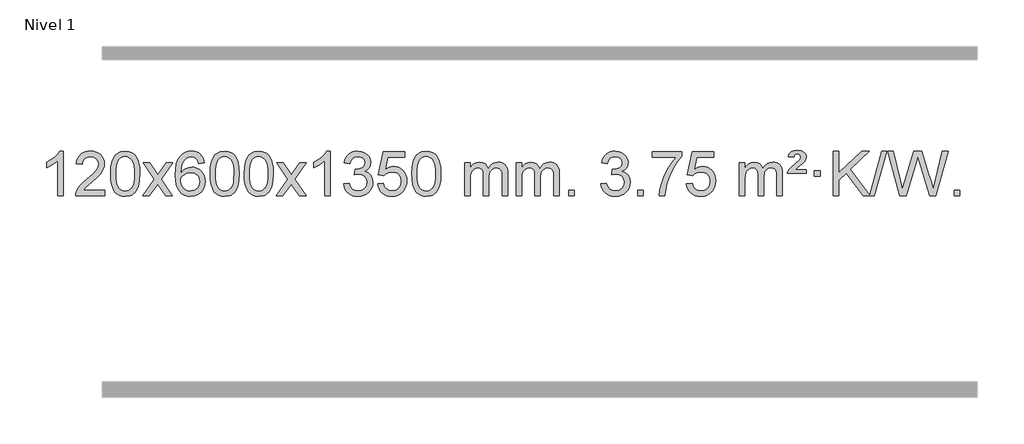
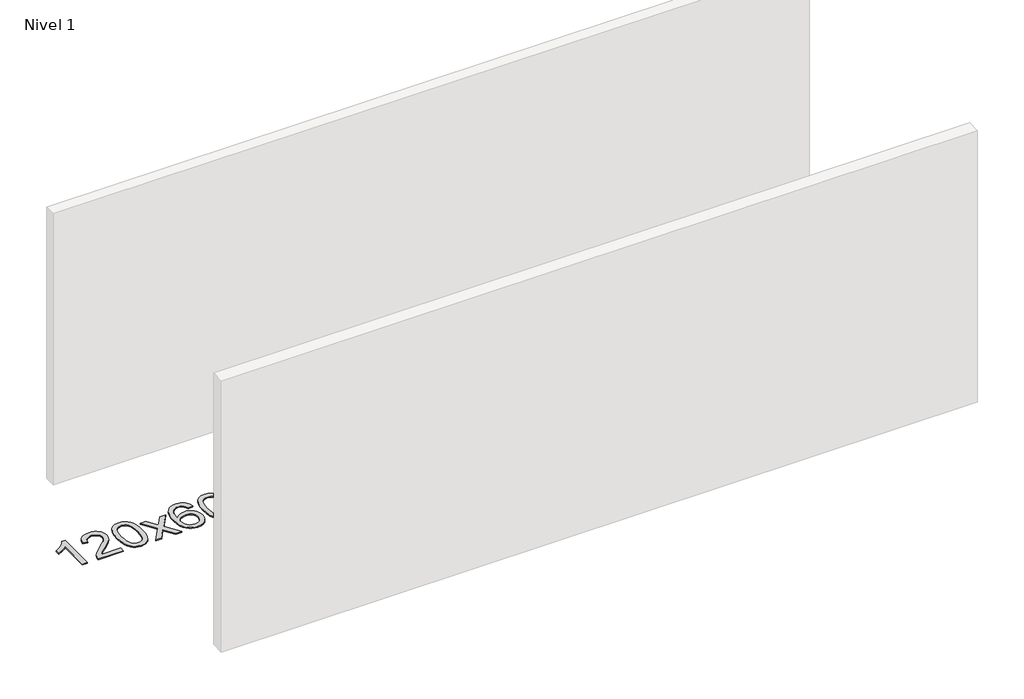
# One storey, part 3 of 18: 1 proxy.
"""IFC4 building model written with IfcOpenShell, lengths in millimetres."""

from ifc_helpers import new_model, si_unit, origin, origin_with_axes, place, context, project, spatial, polyline, outline, extrude, element, save

model = new_model("IFC4")

# Units and contexts
model_context = context("Model", 3, world=origin())
ifc_project = project(units=[si_unit("LENGTHUNIT", "METRE", prefix="MILLI")], contexts=[model_context])

# Site, building, storey
site = spatial("IfcSite", under=ifc_project)
building = spatial("IfcBuilding", under=site)
storey = spatial("IfcBuildingStorey", under=building, Name="Nivel 1", Elevation=0.0)

# Proxy
placement = place(None, origin())
element("IfcBuildingElementProxy", 1, Name="Texto de modelo 1", ObjectType="Texto de modelo 1", at=placement, inside=storey, context=model_context, shape_type="SweptSolid", body=[
    extrude(outline(polyline([(-13229.2853037, -18400.579453), (-13279.5134588, -18400.579453), (-13279.5134588, -18087.4382987), (-13300.4827325, -18104.3976587), (-13327.0928635, -18121.3324932), (-13379.9697689, -18146.6918254), (-13379.9697689, -18099.2105225), (-13340.5205563, -18077.7507395), (-13306.3443189, -18052.219729), (-13279.4030942, -18025.0700378), (-13261.6589193, -17998.7542124), (-13229.2853037, -17998.7542124), (-13229.2853037, -18400.579453)])), origin_with_axes(), (0.0, 0.0, 1.0), 10.0),
    extrude(outline(polyline([(-12852.5741406, -18350.3512979), (-12852.5741406, -18400.579453), (-13116.2719548, -18400.579453), (-13115.1683088, -18382.8965918), (-13110.8763522, -18365.9494945), (-13098.4909917, -18338.8856424), (-13080.366672, -18312.6311307), (-13054.1489485, -18285.1503456), (-13017.4833763, -18254.4076736), (-12963.2820957, -18206.2641831), (-12930.7613273, -18170.7267824), (-12914.5009431, -18141.884834), (-12909.0808151, -18113.8277005), (-12914.1943748, -18088.6768347), (-12929.535054, -18067.7688747), (-12953.1162899, -18053.6789943), (-12982.9515197, -18048.9823675), (-13014.282803, -18053.5686297), (-13038.6243283, -18067.3274163), (-13054.3328895, -18089.1796068), (-13059.7652803, -18118.0460807), (-13109.9934354, -18111.7675613), (-13105.6738876, -18085.838012), (-13097.8165413, -18063.1826125), (-13086.4213965, -18043.8013627), (-13071.4884532, -18027.6942627), (-13053.3610679, -18015.0329907), (-13032.3825971, -18005.989225), (-13008.5530409, -18000.5629655), (-12981.8723992, -17998.7542124), (-12954.9526342, -18000.7653006), (-12930.9943193, -18006.7985654), (-12909.9974544, -18016.8540066), (-12891.9620396, -18030.9316242), (-12877.476686, -18047.9890861), (-12867.1300049, -18066.9840598), (-12860.9219962, -18087.9165453), (-12858.85266, -18110.7865427), (-12861.0844774, -18134.8092369), (-12867.7799298, -18158.4149983), (-12879.6625182, -18182.4254299), (-12897.455744, -18207.6621347), (-12925.8194459, -18237.7916701), (-12969.4134623, -18276.4805933), (-13027.195461, -18324.795762), (-13049.8569919, -18350.3512979), (-12852.5741406, -18350.3512979)])), origin_with_axes(), (0.0, 0.0, 1.0), 10.0),
    extrude(outline(polyline([(-12802.3459855, -18202.9041943), (-12798.6549029, -18138.5861588), (-12787.5816548, -18087.2911459), (-12769.236606, -18048.2343407), (-12757.378543, -18033.0009605), (-12743.730121, -18020.6309284), (-12728.2453547, -18011.0598651), (-12710.8782588, -18004.2233914), (-12670.4970785, -17998.7542124), (-12639.5459399, -18001.991574), (-12611.832163, -18011.7036586), (-12588.6555973, -18027.5103217), (-12571.3160926, -18049.0314184), (-12558.2194935, -18076.0830078), (-12547.7716449, -18108.4811488), (-12540.9290398, -18149.6226186), (-12538.6481714, -18202.9041943), (-12542.3024659, -18266.8543477), (-12553.2653493, -18318.0267333), (-12571.5000336, -18357.1203266), (-12583.3305054, -18372.3996922), (-12596.9697304, -18384.8341036), (-12612.4728908, -18394.4695462), (-12629.8951689, -18401.3520052), (-12670.4970785, -18406.8579724), (-12698.1618045, -18404.4667394), (-12722.6872709, -18397.2930405), (-12744.0734775, -18385.3368757), (-12762.3204245, -18368.5982449), (-12779.8316074, -18338.3399508), (-12792.3395953, -18300.6381776), (-12799.844388, -18255.4929255), (-12802.3459855, -18202.9041943)]), holes=[polyline([(-12752.1178305, -18202.8060924), (-12750.6463025, -18246.4706195), (-12746.2317185, -18281.8148822), (-12738.8740786, -18308.8388804), (-12728.5733828, -18327.5426142), (-12716.1144459, -18340.2682656), (-12702.2820829, -18349.3580165), (-12687.0762937, -18354.8118671), (-12670.4970785, -18356.6298173), (-12653.9178632, -18354.8057357), (-12638.7120741, -18349.3334911), (-12624.8797111, -18340.2130833), (-12612.4207742, -18327.4445124), (-12602.1200783, -18308.7101217), (-12594.7624384, -18281.6922549), (-12590.3478545, -18246.3909118), (-12588.8763265, -18202.8060924), (-12590.2988035, -18160.2973278), (-12594.5662347, -18125.5753989), (-12601.6786199, -18098.6403055), (-12611.6359592, -18079.4920476), (-12623.8864297, -18066.1440625), (-12637.8782082, -18056.6097875), (-12653.6112949, -18050.8892225), (-12671.0856897, -18048.9823675), (-12687.5790658, -18050.6623619), (-12702.5273375, -18055.7023452), (-12715.9305049, -18064.1023175), (-12727.7885679, -18075.8622786), (-12738.4326203, -18096.708925), (-12746.0355148, -18124.8151094), (-12750.5972516, -18160.1808319), (-12752.1178305, -18202.8060924)])]), origin_with_axes(), (0.0, 0.0, 1.0), 10.0),
    extrude(outline(polyline([(-12513.5340939, -18400.579453), (-12406.2106531, -18252.2494325), (-12507.2555745, -18105.4890419), (-12446.8248254, -18105.4890419), (-12398.0681983, -18176.122385), (-12375.3085655, -18209.4770192), (-12355.5900906, -18182.2047007), (-12300.0644348, -18105.4890419), (-12239.6336857, -18105.4890419), (-12345.7799041, -18252.2494325), (-12243.5577603, -18400.579453), (-12303.9885094, -18400.579453), (-12365.498379, -18311.4048574), (-12376.7800935, -18295.1199477), (-12453.1033448, -18400.579453), (-12513.5340939, -18400.579453)])), origin_with_axes(), (0.0, 0.0, 1.0), 10.0),
    extrude(outline(polyline([(-11954.7458687, -18105.4890419), (-12004.9740237, -18111.7675613), (-12013.0674276, -18086.874213), (-12024.0057856, -18069.8780648), (-12046.7899439, -18054.2062918), (-12074.3320426, -18048.9823675), (-12097.6802865, -18052.0235253), (-12119.6551044, -18061.1469988), (-12138.5274507, -18080.3627017), (-12153.9417063, -18106.8134171), (-12164.3527668, -18144.227016), (-12168.2155277, -18196.3313693), (-12148.0678571, -18172.8237098), (-12123.9225355, -18156.2567573), (-12097.1284635, -18146.434308), (-12069.0345418, -18143.1601582), (-12044.9014829, -18145.398107), (-12022.6323595, -18152.1119534), (-12002.2271715, -18163.3016975), (-11983.6859189, -18178.9673391), (-11968.2777947, -18198.1769106), (-11957.2719917, -18219.9984443), (-11950.6685099, -18244.4319401), (-11948.4673493, -18271.4773982), (-11952.6121531, -18307.4439945), (-11965.0465645, -18340.786366), (-11984.740514, -18369.0642287), (-12010.6639319, -18389.8372987), (-12041.6395959, -18402.602804), (-12076.4902836, -18406.8579724), (-12106.4328123, -18404.0375437), (-12133.4752046, -18395.5762579), (-12157.6174606, -18381.4741147), (-12178.8595801, -18361.7311143), (-12196.177625, -18335.5133908), (-12208.5476571, -18301.9870783), (-12215.9696764, -18261.1521768), (-12218.4436828, -18213.0086864), (-12215.6968306, -18159.0342663), (-12207.4562739, -18112.9693092), (-12193.7220127, -18074.8138149), (-12174.4940471, -18044.5677835), (-12153.6535321, -18024.5243462), (-12129.4898164, -18010.2076052), (-12102.0029, -18001.6175606), (-12071.1927829, -17998.7542124), (-12048.0591367, -18000.5261773), (-12027.1205198, -18005.8420722), (-12008.3769322, -18014.7018969), (-11991.8283738, -18027.1056515), (-11977.9224344, -18042.6364031), (-11967.1067037, -18060.8772186), (-11959.3811818, -18081.8280983), (-11954.7458687, -18105.4890419)]), holes=[polyline([(-12168.2155277, -18270.6925832), (-12165.30926, -18292.9494439), (-12156.5904567, -18314.2007605), (-12143.0523993, -18332.472233), (-12125.6883691, -18345.7895612), (-12104.7313581, -18353.9197533), (-12080.4143582, -18356.6298173), (-12047.2681904, -18351.0134855), (-12033.353054, -18343.9930708), (-12021.2098825, -18334.1644901), (-12011.359842, -18321.9262824), (-12004.3240989, -18307.6769865), (-11998.6955043, -18273.1451299), (-12004.2505225, -18239.9989621), (-12011.1942951, -18226.3781312), (-12020.9155769, -18214.725469), (-12033.0955366, -18205.3904634), (-12047.4153432, -18198.7226022), (-12082.4744974, -18193.3883133), (-12115.5716142, -18198.7226022), (-12143.248603, -18214.725469), (-12154.1716326, -18226.2248471), (-12161.9737965, -18239.3858254), (-12166.6550949, -18254.2084042), (-12168.2155277, -18270.6925832)])]), origin_with_axes(), (0.0, 0.0, 1.0), 10.0),
    extrude(outline(polyline([(-11904.5177136, -18202.9041943), (-11900.8266309, -18138.5861588), (-11889.7533828, -18087.2911459), (-11871.408334, -18048.2343407), (-11859.550271, -18033.0009605), (-11845.901849, -18020.6309284), (-11830.4170827, -18011.0598651), (-11813.0499869, -18004.2233914), (-11772.6688065, -17998.7542124), (-11741.717668, -18001.991574), (-11714.003891, -18011.7036586), (-11690.8273253, -18027.5103217), (-11673.4878206, -18049.0314184), (-11660.3912216, -18076.0830078), (-11649.9433729, -18108.4811488), (-11643.1007678, -18149.6226186), (-11640.8198994, -18202.9041943), (-11644.4741939, -18266.8543477), (-11655.4370774, -18318.0267333), (-11673.6717616, -18357.1203266), (-11685.5022334, -18372.3996922), (-11699.1414584, -18384.8341036), (-11714.6446188, -18394.4695462), (-11732.066897, -18401.3520052), (-11772.6688065, -18406.8579724), (-11800.3335326, -18404.4667394), (-11824.8589989, -18397.2930405), (-11846.2452055, -18385.3368757), (-11864.4921525, -18368.5982449), (-11882.0033355, -18338.3399508), (-11894.5113233, -18300.6381776), (-11902.016116, -18255.4929255), (-11904.5177136, -18202.9041943)]), holes=[polyline([(-11854.2895585, -18202.8060924), (-11852.8180305, -18246.4706195), (-11848.4034466, -18281.8148822), (-11841.0458067, -18308.8388804), (-11830.7451108, -18327.5426142), (-11818.2861739, -18340.2682656), (-11804.4538109, -18349.3580165), (-11789.2480218, -18354.8118671), (-11772.6688065, -18356.6298173), (-11756.0895913, -18354.8057357), (-11740.8838021, -18349.3334911), (-11727.0514391, -18340.2130833), (-11714.5925022, -18327.4445124), (-11704.2918063, -18308.7101217), (-11696.9341664, -18281.6922549), (-11692.5195825, -18246.3909118), (-11691.0480545, -18202.8060924), (-11692.4705316, -18160.2973278), (-11696.7379627, -18125.5753989), (-11703.8503479, -18098.6403055), (-11713.8076873, -18079.4920476), (-11726.0581577, -18066.1440625), (-11740.0499363, -18056.6097875), (-11755.7830229, -18050.8892225), (-11773.2574177, -18048.9823675), (-11789.7507938, -18050.6623619), (-11804.6990656, -18055.7023452), (-11818.1022329, -18064.1023175), (-11829.9602959, -18075.8622786), (-11840.6043483, -18096.708925), (-11848.2072429, -18124.8151094), (-11852.7689796, -18160.1808319), (-11854.2895585, -18202.8060924)])]), origin_with_axes(), (0.0, 0.0, 1.0), 10.0),
    extrude(outline(polyline([(-11596.8702638, -18202.9041943), (-11593.1791811, -18138.5861588), (-11582.105933, -18087.2911459), (-11563.7608842, -18048.2343407), (-11551.9028212, -18033.0009605), (-11538.2543992, -18020.6309284), (-11522.7696329, -18011.0598651), (-11505.402537, -18004.2233914), (-11465.0213567, -17998.7542124), (-11434.0702182, -18001.991574), (-11406.3564412, -18011.7036586), (-11383.1798755, -18027.5103217), (-11365.8403708, -18049.0314184), (-11352.7437718, -18076.0830078), (-11342.2959231, -18108.4811488), (-11335.453318, -18149.6226186), (-11333.1724496, -18202.9041943), (-11336.8267441, -18266.8543477), (-11347.7896275, -18318.0267333), (-11366.0243118, -18357.1203266), (-11377.8547836, -18372.3996922), (-11391.4940086, -18384.8341036), (-11406.997169, -18394.4695462), (-11424.4194471, -18401.3520052), (-11465.0213567, -18406.8579724), (-11492.6860827, -18404.4667394), (-11517.2115491, -18397.2930405), (-11538.5977557, -18385.3368757), (-11556.8447027, -18368.5982449), (-11574.3558856, -18338.3399508), (-11586.8638735, -18300.6381776), (-11594.3686662, -18255.4929255), (-11596.8702638, -18202.9041943)]), holes=[polyline([(-11546.6421087, -18202.8060924), (-11545.1705807, -18246.4706195), (-11540.7559968, -18281.8148822), (-11533.3983568, -18308.8388804), (-11523.097661, -18327.5426142), (-11510.6387241, -18340.2682656), (-11496.8063611, -18349.3580165), (-11481.6005719, -18354.8118671), (-11465.0213567, -18356.6298173), (-11448.4421414, -18354.8057357), (-11433.2363523, -18349.3334911), (-11419.4039893, -18340.2130833), (-11406.9450524, -18327.4445124), (-11396.6443565, -18308.7101217), (-11389.2867166, -18281.6922549), (-11384.8721327, -18246.3909118), (-11383.4006047, -18202.8060924), (-11384.8230817, -18160.2973278), (-11389.0905129, -18125.5753989), (-11396.2028981, -18098.6403055), (-11406.1602375, -18079.4920476), (-11418.4107079, -18066.1440625), (-11432.4024864, -18056.6097875), (-11448.1355731, -18050.8892225), (-11465.6099679, -18048.9823675), (-11482.103344, -18050.6623619), (-11497.0516157, -18055.7023452), (-11510.4547831, -18064.1023175), (-11522.3128461, -18075.8622786), (-11532.9568985, -18096.708925), (-11540.559793, -18124.8151094), (-11545.1215298, -18160.1808319), (-11546.6421087, -18202.8060924)])]), origin_with_axes(), (0.0, 0.0, 1.0), 10.0),
    extrude(outline(polyline([(-11308.0583721, -18400.579453), (-11200.7349313, -18252.2494325), (-11301.7798527, -18105.4890419), (-11241.3491036, -18105.4890419), (-11192.5924765, -18176.122385), (-11169.8328437, -18209.4770192), (-11150.1143688, -18182.2047007), (-11094.588713, -18105.4890419), (-11034.1579639, -18105.4890419), (-11140.3041823, -18252.2494325), (-11038.0820385, -18400.579453), (-11098.5127876, -18400.579453), (-11160.0226572, -18311.4048574), (-11171.3043717, -18295.1199477), (-11247.627623, -18400.579453), (-11308.0583721, -18400.579453)])), origin_with_axes(), (0.0, 0.0, 1.0), 10.0),
    extrude(outline(polyline([(-10818.3338601, -18400.579453), (-10868.5620152, -18400.579453), (-10868.5620152, -18087.4382987), (-10889.5312889, -18104.3976587), (-10916.1414199, -18121.3324932), (-10969.0183253, -18146.6918254), (-10969.0183253, -18099.2105225), (-10929.5691127, -18077.7507395), (-10895.3928753, -18052.219729), (-10868.4516506, -18025.0700378), (-10850.7074757, -17998.7542124), (-10818.3338601, -17998.7542124), (-10818.3338601, -18400.579453)])), origin_with_axes(), (0.0, 0.0, 1.0), 10.0),
    extrude(outline(polyline([(-10699.0419918, -18293.8446235), (-10648.8138367, -18287.5661041), (-10637.5689104, -18319.1303793), (-10621.1000597, -18340.4430095), (-10598.5979444, -18352.5831154), (-10569.2532239, -18356.6298173), (-10534.8194691, -18351.0625364), (-10520.5456477, -18344.1034354), (-10508.2338636, -18334.3606939), (-10491.2377154, -18309.4428201), (-10485.5723327, -18279.2274455), (-10491.1886645, -18250.5449126), (-10508.0376599, -18227.2825078), (-10533.5441449, -18211.8682522), (-10565.1329455, -18206.730167), (-10600.3515152, -18212.2238715), (-10594.7597089, -18161.9957164), (-10586.7153559, -18162.5843276), (-10556.6226087, -18158.979084), (-10529.7181721, -18148.1633534), (-10518.6449241, -18139.9841103), (-10510.7354612, -18129.8673555), (-10505.9897835, -18117.8130888), (-10504.4078909, -18103.8213102), (-10508.9941531, -18082.1285352), (-10522.7529397, -18064.5315131), (-10543.7467389, -18052.8696539), (-10570.0380388, -18048.9823675), (-10596.3783897, -18052.9064421), (-10617.9117491, -18064.6786659), (-10633.632573, -18084.299039), (-10642.5353173, -18111.7675613), (-10692.7634724, -18105.4890419), (-10686.8099154, -18081.5092672), (-10677.9746162, -18060.3867093), (-10666.2575747, -18042.1213683), (-10651.6587908, -18026.713244), (-10634.6381172, -18014.4811677), (-10615.6554062, -18005.7439703), (-10594.710658, -18000.5016519), (-10571.8038724, -17998.7542124), (-10540.2273345, -18002.2000404), (-10511.2259705, -18012.5375245), (-10486.7740806, -18028.8469596), (-10468.8459647, -18050.2086408), (-10457.846293, -18074.8199463), (-10454.1797358, -18100.8782543), (-10457.662352, -18125.1584659), (-10468.1102007, -18147.1823347), (-10485.376129, -18165.9443165), (-10509.3129841, -18180.4388671), (-10477.8713363, -18193.1430586), (-10454.5721433, -18214.77452), (-10440.151169, -18244.1560286), (-10435.3441776, -18280.1103623), (-10437.7476733, -18305.5923218), (-10444.9581605, -18329.0631931), (-10456.975639, -18350.5229762), (-10473.8001089, -18369.971671), (-10494.2972674, -18386.1094278), (-10517.3328116, -18397.636397), (-10542.9067417, -18404.5525785), (-10571.0190575, -18406.8579724), (-10596.4274406, -18404.8898037), (-10619.5794808, -18398.9852977), (-10640.4751782, -18389.1444543), (-10659.1145326, -18375.3672736), (-10674.743386, -18358.4630959), (-10686.6075804, -18339.2412617), (-10694.7071156, -18317.7017708), (-10699.0419918, -18293.8446235)])), origin_with_axes(), (0.0, 0.0, 1.0), 10.0),
    extrude(outline(polyline([(-10391.394542, -18293.8446235), (-10341.1663869, -18287.5661041), (-10331.9448115, -18317.7201649), (-10315.8561056, -18339.3148381), (-10292.9738455, -18352.3010725), (-10263.3716076, -18356.6298173), (-10244.2417439, -18355.1245668), (-10227.368223, -18350.6088153), (-10212.7510451, -18343.0825628), (-10200.3902101, -18332.5458094), (-10190.5616294, -18319.519721), (-10183.5412147, -18304.5254641), (-10177.9248829, -18268.6324441), (-10183.1855954, -18234.8363514), (-10189.7614861, -18220.9181493), (-10198.967733, -18208.9865099), (-10210.834993, -18199.4154467), (-10225.393923, -18192.5789729), (-10262.5867927, -18187.1097939), (-10286.9528435, -18189.2925604), (-10306.6835812, -18195.8408599), (-10322.4411933, -18205.8717757), (-10334.8878675, -18218.5023908), (-10385.1160226, -18212.2238715), (-10341.1663869, -18005.0327318), (-10146.532286, -18005.0327318), (-10146.532286, -18055.2608869), (-10300.5522146, -18055.2608869), (-10322.0365231, -18165.919791), (-10304.3107423, -18153.2155994), (-10286.1557659, -18144.1411769), (-10267.5715937, -18138.6965234), (-10248.558226, -18136.8816388), (-10224.097139, -18139.1318504), (-10201.6287461, -18145.882485), (-10181.1530474, -18157.1335427), (-10162.6700428, -18172.8850234), (-10147.3692175, -18192.1743027), (-10136.4400566, -18214.038756), (-10129.88256, -18238.4783832), (-10127.6967278, -18265.4931844), (-10129.6648965, -18291.5147042), (-10135.5694025, -18315.7213394), (-10145.4102459, -18338.1130902), (-10159.1874266, -18358.6899565), (-10180.0585985, -18379.7634634), (-10204.4123865, -18394.8159684), (-10232.2487908, -18403.8474714), (-10263.5678114, -18406.8579724), (-10289.4881636, -18404.9235262), (-10312.9007869, -18399.1201877), (-10333.8056813, -18389.447957), (-10352.2028467, -18375.9068338), (-10367.5098034, -18359.1712688), (-10379.1440715, -18339.915712), (-10387.105651, -18318.1401636), (-10391.394542, -18293.8446235)])), origin_with_axes(), (0.0, 0.0, 1.0), 10.0),
    extrude(outline(polyline([(-10083.7470921, -18202.9041943), (-10080.0560094, -18138.5861588), (-10068.9827614, -18087.2911459), (-10050.6377126, -18048.2343407), (-10038.7796496, -18033.0009605), (-10025.1312276, -18020.6309284), (-10009.6464612, -18011.0598651), (-9992.2793654, -18004.2233914), (-9951.8981851, -17998.7542124), (-9920.9470465, -18001.991574), (-9893.2332696, -18011.7036586), (-9870.0567039, -18027.5103217), (-9852.7171992, -18049.0314184), (-9839.6206001, -18076.0830078), (-9829.1727515, -18108.4811488), (-9822.3301463, -18149.6226186), (-9820.049278, -18202.9041943), (-9823.7035725, -18266.8543477), (-9834.6664559, -18318.0267333), (-9852.9011401, -18357.1203266), (-9864.731612, -18372.3996922), (-9878.3708369, -18384.8341036), (-9893.8739974, -18394.4695462), (-9911.2962755, -18401.3520052), (-9951.8981851, -18406.8579724), (-9979.5629111, -18404.4667394), (-10004.0883774, -18397.2930405), (-10025.4745841, -18385.3368757), (-10043.721531, -18368.5982449), (-10061.232714, -18338.3399508), (-10073.7407019, -18300.6381776), (-10081.2454946, -18255.4929255), (-10083.7470921, -18202.9041943)]), holes=[polyline([(-10033.518937, -18202.8060924), (-10032.0474091, -18246.4706195), (-10027.6328251, -18281.8148822), (-10020.2751852, -18308.8388804), (-10009.9744894, -18327.5426142), (-9997.5155525, -18340.2682656), (-9983.6831894, -18349.3580165), (-9968.4774003, -18354.8118671), (-9951.8981851, -18356.6298173), (-9935.3189698, -18354.8057357), (-9920.1131807, -18349.3334911), (-9906.2808176, -18340.2130833), (-9893.8218807, -18327.4445124), (-9883.5211849, -18308.7101217), (-9876.163545, -18281.6922549), (-9871.748961, -18246.3909118), (-9870.2774331, -18202.8060924), (-9871.6999101, -18160.2973278), (-9875.9673412, -18125.5753989), (-9883.0797265, -18098.6403055), (-9893.0370658, -18079.4920476), (-9905.2875363, -18066.1440625), (-9919.2793148, -18056.6097875), (-9935.0124015, -18050.8892225), (-9952.4867962, -18048.9823675), (-9968.9801724, -18050.6623619), (-9983.9284441, -18055.7023452), (-9997.3316115, -18064.1023175), (-10009.1896744, -18075.8622786), (-10019.8337268, -18096.708925), (-10027.4366214, -18124.8151094), (-10031.9983581, -18160.1808319), (-10033.518937, -18202.8060924)])]), origin_with_axes(), (0.0, 0.0, 1.0), 10.0),
    extrude(outline(polyline([(-9606.5796189, -18400.579453), (-9606.5796189, -18105.4890419), (-9556.3514638, -18105.4890419), (-9556.3514638, -18154.0494653), (-9541.2437766, -18131.7435537), (-9521.8196072, -18114.2691589), (-9498.7411434, -18102.9751816), (-9472.6705727, -18099.2105225), (-9444.7360665, -18103.048758), (-9422.3443157, -18114.5634645), (-9405.6179477, -18132.9943524), (-9394.6795897, -18157.5811324), (-9376.3713291, -18132.0439906), (-9355.4878945, -18113.803175), (-9332.0292859, -18102.8586857), (-9305.9955034, -18099.2105225), (-9285.8876867, -18100.7280358), (-9268.2385479, -18105.2805755), (-9253.0480872, -18112.8681416), (-9240.3163045, -18123.4907342), (-9230.2516663, -18137.2709806), (-9223.0626389, -18154.3315082), (-9218.7492225, -18174.6723168), (-9217.3114171, -18198.2934066), (-9217.3114171, -18400.579453), (-9267.5395722, -18400.579453), (-9267.5395722, -18219.875817), (-9268.7045318, -18194.8230531), (-9272.1994108, -18177.9372695), (-9278.7477103, -18166.3735121), (-9289.0729316, -18157.2868268), (-9302.3534716, -18151.4007149), (-9317.7677272, -18149.4386776), (-9344.9787321, -18154.4663982), (-9367.1620165, -18169.54956), (-9375.7673895, -18181.1194488), (-9381.9140845, -18195.7182326), (-9386.8314405, -18234.0024856), (-9386.8314405, -18400.579453), (-9437.0595955, -18400.579453), (-9437.0595955, -18214.2840106), (-9439.9658633, -18185.8835206), (-9448.6846666, -18165.6254854), (-9464.0253458, -18153.4853796), (-9486.7972413, -18149.4386776), (-9506.1478342, -18152.1364789), (-9523.9778483, -18160.2298828), (-9538.6931281, -18173.5226856), (-9548.6995183, -18191.8186835), (-9554.4384775, -18217.2025411), (-9556.3514638, -18251.7589232), (-9556.3514638, -18400.579453), (-9606.5796189, -18400.579453)])), origin_with_axes(), (0.0, 0.0, 1.0), 10.0),
    extrude(outline(polyline([(-9141.9691845, -18400.579453), (-9141.9691845, -18105.4890419), (-9091.7410294, -18105.4890419), (-9091.7410294, -18154.0494653), (-9076.6333421, -18131.7435537), (-9057.2091728, -18114.2691589), (-9034.130709, -18102.9751816), (-9008.0601382, -18099.2105225), (-8980.1256321, -18103.048758), (-8957.7338813, -18114.5634645), (-8941.0075132, -18132.9943524), (-8930.0691552, -18157.5811324), (-8911.7608946, -18132.0439906), (-8890.87746, -18113.803175), (-8867.4188515, -18102.8586857), (-8841.3850689, -18099.2105225), (-8821.2772522, -18100.7280358), (-8803.6281135, -18105.2805755), (-8788.4376528, -18112.8681416), (-8775.7058701, -18123.4907342), (-8765.6412318, -18137.2709806), (-8758.4522045, -18154.3315082), (-8754.1387881, -18174.6723168), (-8752.7009826, -18198.2934066), (-8752.7009826, -18400.579453), (-8802.9291377, -18400.579453), (-8802.9291377, -18219.875817), (-8804.0940974, -18194.8230531), (-8807.5889763, -18177.9372695), (-8814.1372758, -18166.3735121), (-8824.4624972, -18157.2868268), (-8837.7430372, -18151.4007149), (-8853.1572928, -18149.4386776), (-8880.3682977, -18154.4663982), (-8902.551582, -18169.54956), (-8911.156955, -18181.1194488), (-8917.30365, -18195.7182326), (-8922.221006, -18234.0024856), (-8922.221006, -18400.579453), (-8972.4491611, -18400.579453), (-8972.4491611, -18214.2840106), (-8975.3554289, -18185.8835206), (-8984.0742321, -18165.6254854), (-8999.4149113, -18153.4853796), (-9022.1868068, -18149.4386776), (-9041.5373998, -18152.1364789), (-9059.3674138, -18160.2298828), (-9074.0826936, -18173.5226856), (-9084.0890839, -18191.8186835), (-9089.828043, -18217.2025411), (-9091.7410294, -18251.7589232), (-9091.7410294, -18400.579453), (-9141.9691845, -18400.579453)])), origin_with_axes(), (0.0, 0.0, 1.0), 10.0),
    extrude(outline(polyline([(-8664.8017113, -18400.579453), (-8664.8017113, -18350.3512979), (-8614.5735562, -18350.3512979), (-8614.5735562, -18400.579453), (-8664.8017113, -18400.579453)])), origin_with_axes(), (0.0, 0.0, 1.0), 10.0),
    extrude(outline(polyline([(-8375.9898196, -18293.8446235), (-8325.7616645, -18287.5661041), (-8314.5167382, -18319.1303793), (-8298.0478875, -18340.4430095), (-8275.5457722, -18352.5831154), (-8246.2010517, -18356.6298173), (-8211.7672969, -18351.0625364), (-8197.4934755, -18344.1034354), (-8185.1816914, -18334.3606939), (-8168.1855432, -18309.4428201), (-8162.5201605, -18279.2274455), (-8168.1364923, -18250.5449126), (-8184.9854877, -18227.2825078), (-8210.4919727, -18211.8682522), (-8242.0807733, -18206.730167), (-8277.299343, -18212.2238715), (-8271.7075367, -18161.9957164), (-8263.6631837, -18162.5843276), (-8233.5704365, -18158.979084), (-8206.6659999, -18148.1633534), (-8195.5927519, -18139.9841103), (-8187.683289, -18129.8673555), (-8182.9376112, -18117.8130888), (-8181.3557187, -18103.8213102), (-8185.9419809, -18082.1285352), (-8199.7007675, -18064.5315131), (-8220.6945667, -18052.8696539), (-8246.9858666, -18048.9823675), (-8273.3262175, -18052.9064421), (-8294.8595769, -18064.6786659), (-8310.5804008, -18084.299039), (-8319.4831451, -18111.7675613), (-8369.7113002, -18105.4890419), (-8363.7577432, -18081.5092672), (-8354.922444, -18060.3867093), (-8343.2054024, -18042.1213683), (-8328.6066186, -18026.713244), (-8311.585945, -18014.4811677), (-8292.603234, -18005.7439703), (-8271.6584857, -18000.5016519), (-8248.7517002, -17998.7542124), (-8217.1751623, -18002.2000404), (-8188.1737983, -18012.5375245), (-8163.7219084, -18028.8469596), (-8145.7937925, -18050.2086408), (-8134.7941208, -18074.8199463), (-8131.1275636, -18100.8782543), (-8134.6101798, -18125.1584659), (-8145.0580285, -18147.1823347), (-8162.3239568, -18165.9443165), (-8186.2608119, -18180.4388671), (-8154.8191641, -18193.1430586), (-8131.5199711, -18214.77452), (-8117.0989968, -18244.1560286), (-8112.2920054, -18280.1103623), (-8114.6955011, -18305.5923218), (-8121.9059882, -18329.0631931), (-8133.9234668, -18350.5229762), (-8150.7479367, -18369.971671), (-8171.2450952, -18386.1094278), (-8194.2806394, -18397.636397), (-8219.8545695, -18404.5525785), (-8247.9668853, -18406.8579724), (-8273.3752684, -18404.8898037), (-8296.5273086, -18398.9852977), (-8317.4230059, -18389.1444543), (-8336.0623604, -18375.3672736), (-8351.6912138, -18358.4630959), (-8363.5554081, -18339.2412617), (-8371.6549434, -18317.7017708), (-8375.9898196, -18293.8446235)])), origin_with_axes(), (0.0, 0.0, 1.0), 10.0),
    extrude(outline(polyline([(-8043.2282922, -18400.579453), (-8043.2282922, -18350.3512979), (-7993.0001371, -18350.3512979), (-7993.0001371, -18400.579453), (-8043.2282922, -18400.579453)])), origin_with_axes(), (0.0, 0.0, 1.0), 10.0),
    extrude(outline(polyline([(-7911.3793851, -18055.2608869), (-7911.3793851, -18005.0327318), (-7647.681571, -18005.0327318), (-7647.681571, -18045.646904), (-7685.2668482, -18093.214046), (-7722.4842433, -18153.7061088), (-7755.3115801, -18221.6048623), (-7779.7266818, -18291.3920768), (-7791.6951094, -18343.6067947), (-7798.3660362, -18400.579453), (-7848.5941913, -18400.579453), (-7843.1618005, -18348.8061935), (-7828.6304617, -18287.2717985), (-7805.3925823, -18222.0463207), (-7773.8405699, -18159.1998132), (-7737.0033194, -18102.3865704), (-7697.9097261, -18055.2608869), (-7911.3793851, -18055.2608869)])), origin_with_axes(), (0.0, 0.0, 1.0), 10.0),
    extrude(outline(polyline([(-7603.7319353, -18293.8446235), (-7553.5037802, -18287.5661041), (-7544.2822049, -18317.7201649), (-7528.193499, -18339.3148381), (-7505.3112389, -18352.3010725), (-7475.709001, -18356.6298173), (-7456.5791372, -18355.1245668), (-7439.7056164, -18350.6088153), (-7425.0884384, -18343.0825628), (-7412.7276034, -18332.5458094), (-7402.8990228, -18319.519721), (-7395.878608, -18304.5254641), (-7390.2622762, -18268.6324441), (-7395.5229888, -18234.8363514), (-7402.0988794, -18220.9181493), (-7411.3051264, -18208.9865099), (-7423.1723864, -18199.4154467), (-7437.7313163, -18192.5789729), (-7474.9241861, -18187.1097939), (-7499.2902369, -18189.2925604), (-7519.0209745, -18195.8408599), (-7534.7785867, -18205.8717757), (-7547.2252608, -18218.5023908), (-7597.4534159, -18212.2238715), (-7553.5037802, -18005.0327318), (-7358.8696793, -18005.0327318), (-7358.8696793, -18055.2608869), (-7512.889608, -18055.2608869), (-7534.3739165, -18165.919791), (-7516.6481357, -18153.2155994), (-7498.4931592, -18144.1411769), (-7479.9089871, -18138.6965234), (-7460.8956193, -18136.8816388), (-7436.4345323, -18139.1318504), (-7413.9661395, -18145.882485), (-7393.4904407, -18157.1335427), (-7375.0074362, -18172.8850234), (-7359.7066109, -18192.1743027), (-7348.7774499, -18214.038756), (-7342.2199533, -18238.4783832), (-7340.0341212, -18265.4931844), (-7342.0022898, -18291.5147042), (-7347.9067959, -18315.7213394), (-7357.7476392, -18338.1130902), (-7371.5248199, -18358.6899565), (-7392.3959918, -18379.7634634), (-7416.7497799, -18394.8159684), (-7444.5861842, -18403.8474714), (-7475.9052047, -18406.8579724), (-7501.825557, -18404.9235262), (-7525.2381803, -18399.1201877), (-7546.1430746, -18389.447957), (-7564.5402401, -18375.9068338), (-7579.8471968, -18359.1712688), (-7591.4814649, -18339.915712), (-7599.4430444, -18318.1401636), (-7603.7319353, -18293.8446235)])), origin_with_axes(), (0.0, 0.0, 1.0), 10.0),
    extrude(outline(polyline([(-7126.5644621, -18400.579453), (-7126.5644621, -18105.4890419), (-7076.336307, -18105.4890419), (-7076.336307, -18154.0494653), (-7061.2286197, -18131.7435537), (-7041.8044504, -18114.2691589), (-7018.7259866, -18102.9751816), (-6992.6554158, -18099.2105225), (-6964.7209097, -18103.048758), (-6942.3291589, -18114.5634645), (-6925.6027909, -18132.9943524), (-6914.6644329, -18157.5811324), (-6896.3561722, -18132.0439906), (-6875.4727377, -18113.803175), (-6852.0141291, -18102.8586857), (-6825.9803466, -18099.2105225), (-6805.8725298, -18100.7280358), (-6788.2233911, -18105.2805755), (-6773.0329304, -18112.8681416), (-6760.3011477, -18123.4907342), (-6750.2365094, -18137.2709806), (-6743.0474821, -18154.3315082), (-6738.7340657, -18174.6723168), (-6737.2962603, -18198.2934066), (-6737.2962603, -18400.579453), (-6787.5244153, -18400.579453), (-6787.5244153, -18219.875817), (-6788.689375, -18194.8230531), (-6792.1842539, -18177.9372695), (-6798.7325535, -18166.3735121), (-6809.0577748, -18157.2868268), (-6822.3383148, -18151.4007149), (-6837.7525704, -18149.4386776), (-6864.9635753, -18154.4663982), (-6887.1468596, -18169.54956), (-6895.7522326, -18181.1194488), (-6901.8989276, -18195.7182326), (-6906.8162836, -18234.0024856), (-6906.8162836, -18400.579453), (-6957.0444387, -18400.579453), (-6957.0444387, -18214.2840106), (-6959.9507065, -18185.8835206), (-6968.6695098, -18165.6254854), (-6984.010189, -18153.4853796), (-7006.7820845, -18149.4386776), (-7026.1326774, -18152.1364789), (-7043.9626914, -18160.2298828), (-7058.6779713, -18173.5226856), (-7068.6843615, -18191.8186835), (-7074.4233206, -18217.2025411), (-7076.336307, -18251.7589232), (-7076.336307, -18400.579453), (-7126.5644621, -18400.579453)])), origin_with_axes(), (0.0, 0.0, 1.0), 10.0),
    extrude(outline(polyline([(-6693.3466246, -18199.6668327), (-6689.5206518, -18183.8479069), (-6681.1819933, -18167.9799302), (-6659.6731593, -18142.8413272), (-6627.7164766, -18115.1030247), (-6583.5706372, -18077.726214), (-6576.4337265, -18066.1992448), (-6574.0547563, -18054.3779701), (-6575.9432172, -18042.2869152), (-6581.6085999, -18032.5012541), (-6590.977328, -18026.026531), (-6603.9758252, -18023.8682899), (-6616.4102366, -18025.4869707), (-6625.26393, -18030.343013), (-6631.6896022, -18039.8098431), (-6636.8399501, -18055.2608869), (-6687.0681052, -18048.9823675), (-6676.2278491, -18023.7701881), (-6659.5995829, -18006.2099542), (-6635.834406, -17995.9092583), (-6603.5834178, -17992.475693), (-6567.8007624, -17996.6082341), (-6543.0545668, -18009.0058573), (-6528.6335926, -18027.3386434), (-6523.8266012, -18049.2766731), (-6527.9223541, -18072.1834586), (-6540.2096127, -18093.8149199), (-6560.737428, -18113.6314968), (-6597.2067965, -18141.6886303), (-6622.8113834, -18168.2742358), (-6523.8266012, -18168.2742358), (-6523.8266012, -18199.6668327), (-6693.3466246, -18199.6668327)])), origin_with_axes(), (0.0, 0.0, 1.0), 10.0),
    extrude(outline(polyline([(-6448.4843686, -18224.7809102), (-6448.4843686, -18174.5527552), (-6398.2562135, -18174.5527552), (-6398.2562135, -18224.7809102), (-6448.4843686, -18224.7809102)])), origin_with_axes(), (0.0, 0.0, 1.0), 10.0),
    extrude(outline(polyline([(-6007.6145856, -18400.579453), (-6161.045903, -18197.9009991), (-6228.7361901, -18262.4520265), (-6228.7361901, -18400.579453), (-6278.9643452, -18400.579453), (-6278.9643452, -17998.7542124), (-6228.7361901, -17998.7542124), (-6228.7361901, -18195.4484525), (-6022.7222728, -17998.7542124), (-5952.4813372, -17998.7542124), (-6125.4349259, -18163.9577537), (-5950.781316, -18394.5349332), (-5839.4679883, -17998.7542124), (-5794.1449265, -17998.7542124), (-5907.1582754, -18400.579453), (-5946.2028178, -18400.579453), (-5952.4813372, -18400.579453), (-6007.6145856, -18400.579453)])), origin_with_axes(), (0.0, 0.0, 1.0), 10.0),
    extrude(outline(polyline([(-5679.6600496, -18400.579453), (-5789.2398332, -17998.7542124), (-5737.4420483, -17998.7542124), (-5673.8720395, -18262.844434), (-5654.2516665, -18344.3670841), (-5633.2578673, -18272.2622131), (-5553.5991526, -17998.7542124), (-5478.943633, -17998.7542124), (-5421.0635325, -18197.0180823), (-5396.268286, -18270.5944814), (-5377.9968136, -18344.3670841), (-5358.9650517, -18265.1988788), (-5294.8064317, -17998.7542124), (-5243.0086468, -17998.7542124), (-5352.6865323, -18400.579453), (-5406.3482526, -18400.579453), (-5502.6842845, -18090.5775584), (-5516.12424, -18047.3146358), (-5531.2319273, -18099.4067263), (-5619.0330968, -18400.579453), (-5679.6600496, -18400.579453)])), origin_with_axes(), (0.0, 0.0, 1.0), 10.0),
    extrude(outline(polyline([(-5186.5019723, -18400.579453), (-5186.5019723, -18350.3512979), (-5136.2738173, -18350.3512979), (-5136.2738173, -18400.579453), (-5186.5019723, -18400.579453)])), origin_with_axes(), (0.0, 0.0, 1.0), 10.0),
])

save(model, "model.ifc")
